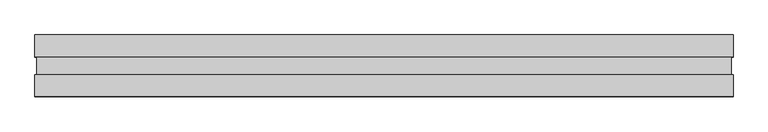
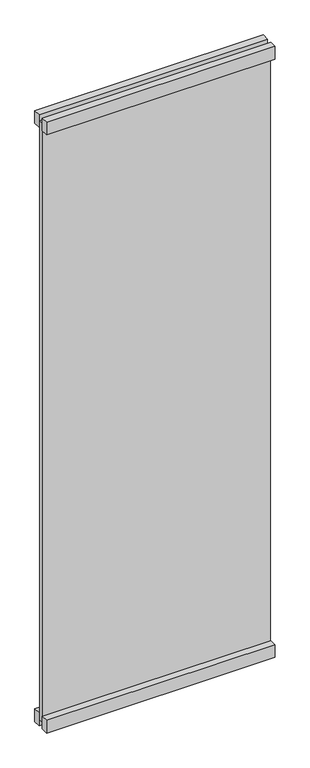
"""IFC4 building model written with IfcOpenShell, lengths in millimetres: plate geometry."""

from ifc_helpers import new_model, si_unit, frame, origin, origin_with_axes, place, context, project, spatial, polyline, outline, extrude, source, transform, mapped, element, save


def plate_4b697869(model_context):
    return source(origin(), model_context, "Body", "SweptSolid", [
        extrude(outline(polyline([(510.9415343, -13.0), (510.9415343, -45.0), (-510.9415343, -45.0), (-510.9415343, -13.0), (510.9415343, -13.0)])), origin_with_axes(), (0.0, 0.0, 1.0), 60.0),
        extrude(outline(polyline([(510.9415343, 45.0), (510.9415343, 13.0), (-510.9415343, 13.0), (-510.9415343, 45.0), (510.9415343, 45.0)])), origin_with_axes(), (0.0, 0.0, 1.0), 60.0),
        extrude(outline(polyline([(510.9415343, -13.0), (510.9415343, -45.0), (-510.9415343, -45.0), (-510.9415343, -13.0), (510.9415343, -13.0)])), frame((0.0, 0.0, 2825.0), z_axis=(0.0, 0.0, 1.0), x_axis=(1.0, 0.0, 0.0)), (0.0, 0.0, 1.0), 60.0),
        extrude(outline(polyline([(510.9415343, 45.0), (510.9415343, 13.0), (-510.9415343, 13.0), (-510.9415343, 45.0), (510.9415343, 45.0)])), frame((0.0, 0.0, 2825.0), z_axis=(0.0, 0.0, 1.0), x_axis=(1.0, 0.0, 0.0)), (0.0, 0.0, 1.0), 60.0),
        extrude(outline(polyline([(508.4415343, -13.0), (-508.4415343, -13.0), (-508.4415343, 13.0), (508.4415343, 13.0), (508.4415343, -13.0)])), frame((0.0, 0.0, 28.0), z_axis=(0.0, 0.0, 1.0), x_axis=(1.0, 0.0, 0.0)), (0.0, 0.0, 1.0), 2829.0),
    ])


if __name__ == "__main__":
    model = new_model("IFC4")
    model_context = context("Model", 3, world=origin())
    ifc_project = project(units=[si_unit("LENGTHUNIT", "METRE", prefix="MILLI")], contexts=[model_context])
    site = spatial("IfcSite", under=ifc_project)
    building = spatial("IfcBuilding", under=site)
    placement = place(None, origin())
    plate_shape = plate_4b697869(model_context)
    element("IfcPlate", 1, at=placement, inside=building, context=model_context, shape_type="MappedRepresentation", body=[
        mapped(plate_shape, transform((0.0, 0.0, 0.0), x_axis=(1.0, 0.0, 0.0), y_axis=(0.0, 1.0, 0.0), z_axis=(0.0, 0.0, 1.0))),
    ])
    save(model, "model.ifc")
